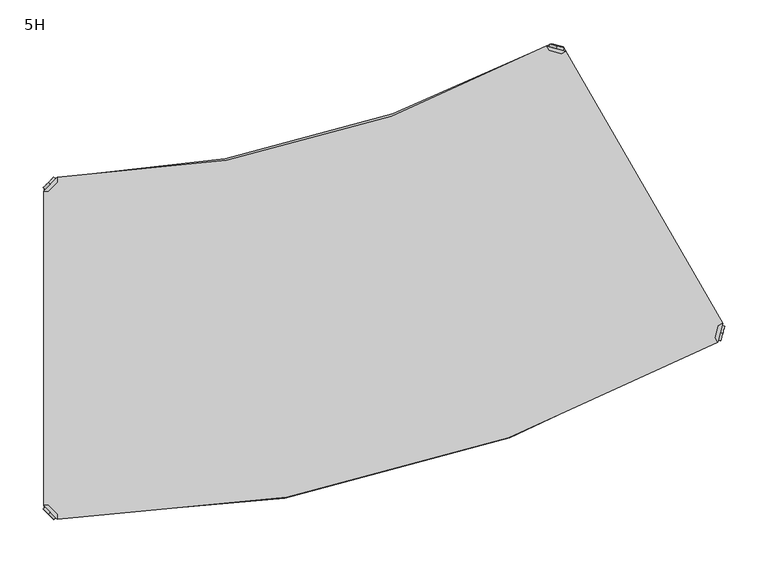
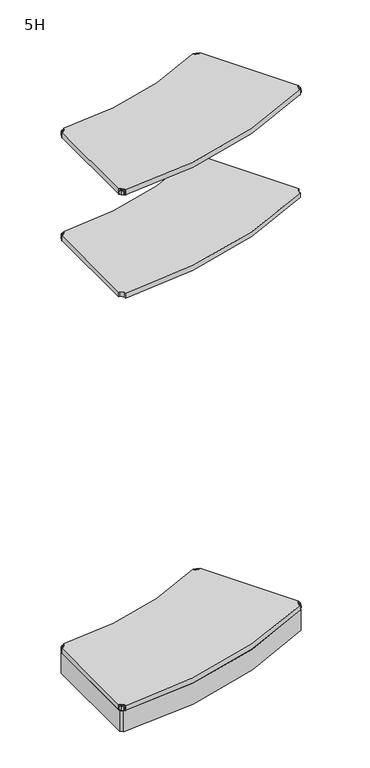
"""IFC4 building model written with IfcOpenShell, lengths in millimetres: furniture geometry, 5H."""

from ifc_helpers import new_model, si_unit, point, frame, frame_2d, origin, place, context, project, spatial, polyline, circle_curve, trimmed, segment, composite_curve, outline, extrude, source, transform, mapped, element, save
from ifc_brep_helpers import plane_surface, cylinder_surface, advanced_brep


def furniture_5h_ca7e14d5(model_context):
    return source(origin(), model_context, "Body", "SolidModel", [
        advanced_brep(
        [(10.9601551, 389.0398449, 1698.5), (10.9601551, 389.0398449, 1715.5), (10.9601551, 389.0398449, 1707.0), (8.8388348, 391.1611652, 1698.5), (8.8388348, 391.1611652, 1715.5), (8.8388348, 391.1611652, 1707.0)],
        [
            (0, 1, circle_curve(frame((10.9601551, 389.0398449, 1707.0), z_axis=(0.7071067811865509, -0.7071067811865441, 0.0), x_axis=(0.0, 0.0, 1.0)), 8.5)),
            (1, 2),
            (2, 0),
            (1, 0, circle_curve(frame((10.9601551, 389.0398449, 1707.0), z_axis=(0.7071067811865509, -0.7071067811865441, 0.0), x_axis=(0.0, 0.0, 1.0)), 8.5)),
            (3, 4, circle_curve(frame((8.8388348, 391.1611652, 1707.0), z_axis=(0.7071067811865509, -0.7071067811865441, 0.0), x_axis=(0.0, 0.0, 1.0)), 8.5)),
            (4, 1),
            (0, 3),
            (4, 3, circle_curve(frame((8.8388348, 391.1611652, 1707.0), z_axis=(0.7071067811865509, -0.7071067811865441, 0.0), x_axis=(0.0, 0.0, 1.0)), 8.5)),
            (5, 4),
            (3, 5),
        ],
        [
            plane_surface(frame((10.9601551, 389.0398449, 1707.0), z_axis=(0.7071067811865506, -0.7071067811865446, 0.0), x_axis=(0.0, 0.0, 1.0))),
            cylinder_surface(frame((8.8388348, 391.1611652, 1707.0), z_axis=(-0.7071067811865509, 0.7071067811865441, 0.0), x_axis=(0.0, 0.0, 1.0)), 8.5),
            plane_surface(frame((8.8388348, 391.1611652, 1707.0), z_axis=(-0.7071067811865506, 0.7071067811865446, 0.0), x_axis=(0.0, 0.0, 1.0))),
        ],
        [
            (0, [[1, 2, 3]]),
            (0, [[4, -3, -2]]),
            (1, [[5, 6, -1, 7]]),
            (1, [[8, -7, -4, -6]]),
            (2, [[9, -5, 10]]),
            (2, [[-10, -8, -9]]),
        ],
    ),
        advanced_brep(
        [(18.9203102, 397.0, 1717.0), (3.0, 381.0796898, 1717.0), (8.6568542, 381.0796898, 1717.0), (18.9203102, 391.3431458, 1717.0), (18.9203102, 397.0, 1698.0), (18.9203102, 397.0, 1697.0), (3.0, 381.0796898, 1697.0), (3.0, 381.0796898, 1698.0), (8.6568542, 381.0796898, 1698.0), (18.9203102, 391.3431458, 1698.0), (31.8093975, 352.2702923, 1698.0), (47.7297077, 368.1906025, 1698.0), (47.7297077, 368.1906025, 1697.0), (31.8093975, 352.2702923, 1697.0)],
        [
            (0, 1),
            (1, 2),
            (2, 3),
            (3, 0),
            (0, 4),
            (4, 5),
            (5, 6),
            (6, 7),
            (7, 1),
            (2, 8),
            (8, 9),
            (9, 3),
            (9, 4),
            (7, 8),
            (7, 10),
            (10, 11, circle_curve(frame((39.7695526, 360.2304474, 1698.0), z_axis=(0.0, 0.0, 1.0), x_axis=(1.0, 0.0, 0.0)), 11.2573593)),
            (11, 4),
            (5, 12),
            (12, 13, circle_curve(frame((39.7695526, 360.2304474, 1697.0), z_axis=(0.0, 0.0, -1.0), x_axis=(1.0, 0.0, 0.0)), 11.2573593)),
            (13, 6),
            (13, 10),
            (12, 11),
        ],
        [
            plane_surface(frame((-38.8756299, 339.2040599, 1717.0), z_axis=(0.0, 0.0, 1.0000000000000002), x_axis=(-0.7071067811865511, -0.707106781186544, 0.0))),
            plane_surface(frame((18.9203102, 397.0, 1717.0), z_axis=(-0.707106781186544, 0.7071067811865511, 0.0), x_axis=(0.0, 0.0, -1.0))),
            plane_surface(frame((8.6568542, 381.0796898, 1717.0), z_axis=(0.7071067811865527, -0.7071067811865424, 0.0), x_axis=(0.0, 0.0, -1.0))),
            plane_surface(frame((18.9203102, 391.3431458, 1717.0), z_axis=(1.0, 0.0, 0.0), x_axis=(0.0, 0.0, -1.0))),
            plane_surface(frame((3.0, 381.0796898, 1717.0), z_axis=(0.0, -1.0, 0.0), x_axis=(0.0, 0.0, -1.0))),
            plane_surface(frame((3.0, 381.0796898, 1698.0), z_axis=(0.0, 0.0, 1.0), x_axis=(-0.7071067811865439, -0.7071067811865511, 0.0))),
            plane_surface(frame((3.0, 381.0796898, 1697.0), z_axis=(0.0, 0.0, -1.0), x_axis=(0.7071067811865439, 0.7071067811865511, 0.0))),
            plane_surface(frame((3.0, 381.0796898, 1698.0), z_axis=(-0.7071067811865446, -0.7071067811865506, 0.0), x_axis=(0.0, 0.0, -1.0))),
            cylinder_surface(frame((39.7695526, 360.2304474, 1697.0), z_axis=(0.0, 0.0, 1.0), x_axis=(1.0, 0.0, 0.0)), 11.2573593),
            plane_surface(frame((47.7297077, 368.1906025, 1698.0), z_axis=(0.7071067811865435, 0.7071067811865517, 0.0), x_axis=(0.0, 0.0, -1.0))),
        ],
        [
            (0, [[1, 2, 3, 4]]),
            (1, [[-1, 5, 6, 7, 8, 9]]),
            (2, [[-3, 10, 11, 12]]),
            (3, [[-4, -12, 13, -5]]),
            (4, [[-2, -9, 14, -10]]),
            (5, [[15, 16, 17, -13, -11, -14]]),
            (6, [[18, 19, 20, -7]]),
            (7, [[-15, -8, -20, 21]]),
            (8, [[-16, -21, -19, 22]]),
            (9, [[-17, -22, -18, -6]]),
        ],
    ),
        extrude(outline(composite_curve([segment(polyline([(3.0, 381.0796898), (8.6568542, 381.0796898), (18.9203102, 391.3431458), (18.9203102, 397.1493369)]), True, "CONTINUOUS"), segment(trimmed(circle_curve(frame_2d((0.0, 1595.6333221)), 1198.6333221), [point((18.9203102, 397.1493369))], [point((582.8586275, 548.2567608))], True, "CARTESIAN"), True, "CONTINUOUS"), segment(polyline([(582.8586275, 548.2567608), (585.6991478, 543.3368352), (599.7022885, 539.584705), (604.609961, 542.418151), (785.7022582, 228.7570914), (780.8066612, 225.9306171), (777.0494272, 211.9084292), (779.8770965, 207.0107625)]), True, "CONTINUOUS"), segment(trimmed(circle_curve(frame_2d((0.0, 1595.6333221)), 1592.6333221), [point((779.8770965, 207.0107625))], [point((18.9203102, 3.1123896))], False, "CARTESIAN"), True, "CONTINUOUS"), segment(polyline([(18.9203102, 3.1123896), (18.9203102, 8.6568542), (8.6568542, 18.9203102), (3.0, 18.9203102), (3.0, 381.0796898)]), True, "CONTINUOUS")], self_intersect=False)), frame((0.0, 0.0, 1698.0), z_axis=(0.0, 0.0, 1.0), x_axis=(1.0, 0.0, 0.0)), (0.0, 0.0, 1.0), 19.0),
        advanced_brep(
        [(10.9601551, 10.9601551, 2098.5), (10.9601551, 10.9601551, 2107.0), (10.9601551, 10.9601551, 2115.5), (8.8388348, 8.8388348, 2098.5), (8.8388348, 8.8388348, 2115.5), (8.8388348, 8.8388348, 2107.0)],
        [
            (0, 1),
            (1, 2),
            (2, 0, circle_curve(frame((10.9601551, 10.9601551, 2107.0), z_axis=(0.7071067811865465, 0.7071067811865486, 0.0), x_axis=(0.0, 0.0, 1.0)), 8.5)),
            (0, 2, circle_curve(frame((10.9601551, 10.9601551, 2107.0), z_axis=(0.7071067811865465, 0.7071067811865486, 0.0), x_axis=(0.0, 0.0, 1.0)), 8.5)),
            (3, 0),
            (2, 4),
            (4, 3, circle_curve(frame((8.8388348, 8.8388348, 2107.0), z_axis=(0.7071067811865465, 0.7071067811865486, 0.0), x_axis=(0.0, 0.0, 1.0)), 8.5)),
            (3, 4, circle_curve(frame((8.8388348, 8.8388348, 2107.0), z_axis=(0.7071067811865465, 0.7071067811865486, 0.0), x_axis=(0.0, 0.0, 1.0)), 8.5)),
            (5, 3),
            (4, 5),
        ],
        [
            plane_surface(frame((10.9601551, 10.9601551, 2107.0), z_axis=(0.7071067811865461, 0.707106781186549, 0.0), x_axis=(0.0, 0.0, 1.0))),
            cylinder_surface(frame((8.8388348, 8.8388348, 2107.0), z_axis=(-0.7071067811865465, -0.7071067811865486, 0.0), x_axis=(0.0, 0.0, 1.0)), 8.5),
            plane_surface(frame((8.8388348, 8.8388348, 2107.0), z_axis=(-0.7071067811865461, -0.707106781186549, 0.0), x_axis=(0.0, 0.0, 1.0))),
        ],
        [
            (0, [[1, 2, 3]]),
            (0, [[-2, -1, 4]]),
            (1, [[5, -3, 6, 7]]),
            (1, [[-6, -4, -5, 8]]),
            (2, [[9, -7, 10]]),
            (2, [[-10, -8, -9]]),
        ],
    ),
        advanced_brep(
        [(18.9203102, 3.0, 2117.0), (18.9203102, 8.6568542, 2117.0), (8.6568542, 18.9203102, 2117.0), (3.0, 18.9203102, 2117.0), (3.0, 18.9203102, 2098.0), (3.0, 18.9203102, 2097.0), (18.9203102, 3.0, 2097.0), (18.9203102, 3.0, 2098.0), (18.9203102, 8.6568542, 2098.0), (8.6568542, 18.9203102, 2098.0), (47.7297077, 31.8093975, 2098.0), (31.8093975, 47.7297077, 2098.0), (31.8093975, 47.7297077, 2097.0), (47.7297077, 31.8093975, 2097.0)],
        [
            (0, 1),
            (1, 2),
            (2, 3),
            (3, 0),
            (3, 4),
            (4, 5),
            (5, 6),
            (6, 7),
            (7, 0),
            (1, 8),
            (8, 9),
            (9, 2),
            (7, 8),
            (9, 4),
            (7, 10),
            (10, 11, circle_curve(frame((39.7695526, 39.7695526, 2098.0), z_axis=(0.0, 0.0, 1.0), x_axis=(1.0, 0.0, 0.0)), 11.2573593)),
            (11, 4),
            (5, 12),
            (12, 13, circle_curve(frame((39.7695526, 39.7695526, 2097.0), z_axis=(0.0, 0.0, -1.0), x_axis=(1.0, 0.0, 0.0)), 11.2573593)),
            (13, 6),
            (11, 12),
            (10, 13),
        ],
        [
            plane_surface(frame((-38.8756299, 60.7959401, 2117.0), z_axis=(0.0, 0.0, 1.0), x_axis=(-0.7071067811865556, 0.7071067811865396, 0.0))),
            plane_surface(frame((18.9203102, 3.0, 2117.0), z_axis=(-0.7071067811865396, -0.7071067811865556, 0.0), x_axis=(0.0, 0.0, -1.0))),
            plane_surface(frame((8.6568542, 18.9203102, 2117.0), z_axis=(0.7071067811865482, 0.7071067811865468, 0.0), x_axis=(0.0, 0.0, -1.0))),
            plane_surface(frame((18.9203102, 8.6568542, 2117.0), z_axis=(1.0, 0.0, 0.0), x_axis=(0.0, 0.0, -1.0))),
            plane_surface(frame((3.0, 18.9203102, 2117.0), z_axis=(0.0, 1.0, 0.0), x_axis=(0.0, 0.0, -1.0))),
            plane_surface(frame((3.0, 18.9203102, 2098.0), z_axis=(0.0, 0.0, 1.0), x_axis=(-0.7071067811865483, 0.7071067811865467, 0.0))),
            plane_surface(frame((3.0, 18.9203102, 2097.0), z_axis=(0.0, 0.0, -1.0), x_axis=(0.7071067811865483, -0.7071067811865467, 0.0))),
            plane_surface(frame((3.0, 18.9203102, 2098.0), z_axis=(-0.707106781186549, 0.7071067811865461, 0.0), x_axis=(0.0, 0.0, -1.0))),
            cylinder_surface(frame((39.7695526, 39.7695526, 2097.0), z_axis=(0.0, 0.0, 1.0), x_axis=(1.0, 0.0, 0.0)), 11.2573593),
            plane_surface(frame((47.7297077, 31.8093975, 2098.0), z_axis=(0.7071067811865479, -0.7071067811865472, 0.0), x_axis=(0.0, 0.0, -1.0))),
        ],
        [
            (0, [[1, 2, 3, 4]]),
            (1, [[5, 6, 7, 8, 9, -4]]),
            (2, [[10, 11, 12, -2]]),
            (3, [[-9, 13, -10, -1]]),
            (4, [[-12, 14, -5, -3]]),
            (5, [[-14, -11, -13, 15, 16, 17]]),
            (6, [[-7, 18, 19, 20]]),
            (7, [[21, -18, -6, -17]]),
            (8, [[22, -19, -21, -16]]),
            (9, [[-8, -20, -22, -15]]),
        ],
    ),
        advanced_brep(
        [(782.7920217, 217.8852702, 2098.5), (782.7920217, 217.8852702, 2115.5), (782.7920217, 217.8852702, 2107.0), (785.6897991, 217.108813, 2098.5), (785.6897991, 217.108813, 2115.5), (785.6897991, 217.108813, 2107.0)],
        [
            (0, 1, circle_curve(frame((782.7920217, 217.8852702, 2107.0), z_axis=(-0.9659258262890685, 0.25881904510252, 0.0), x_axis=(0.0, 0.0, 1.0)), 8.5)),
            (1, 2),
            (2, 0),
            (1, 0, circle_curve(frame((782.7920217, 217.8852702, 2107.0), z_axis=(-0.9659258262890685, 0.25881904510252, 0.0), x_axis=(0.0, 0.0, 1.0)), 8.5)),
            (3, 4, circle_curve(frame((785.6897991, 217.108813, 2107.0), z_axis=(-0.9659258262890685, 0.25881904510252, 0.0), x_axis=(0.0, 0.0, 1.0)), 8.5)),
            (4, 1),
            (0, 3),
            (4, 3, circle_curve(frame((785.6897991, 217.108813, 2107.0), z_axis=(-0.9659258262890685, 0.25881904510252, 0.0), x_axis=(0.0, 0.0, 1.0)), 8.5)),
            (5, 4),
            (3, 5),
        ],
        [
            plane_surface(frame((782.7920217, 217.8852702, 2107.0), z_axis=(-0.9659258262890684, 0.25881904510252063, 0.0), x_axis=(0.0, 0.0, 1.0))),
            cylinder_surface(frame((785.6897991, 217.108813, 2107.0), z_axis=(0.9659258262890685, -0.25881904510252, 0.0), x_axis=(0.0, 0.0, 1.0)), 8.5),
            plane_surface(frame((785.6897991, 217.108813, 2107.0), z_axis=(0.9659258262890684, -0.25881904510252063, 0.0), x_axis=(0.0, 0.0, 1.0))),
        ],
        [
            (0, [[1, 2, 3]]),
            (0, [[4, -3, -2]]),
            (1, [[5, 6, -1, 7]]),
            (1, [[8, -7, -4, -6]]),
            (2, [[9, -5, 10]]),
            (2, [[-10, -8, -9]]),
        ],
    ),
        advanced_brep(
        [(779.8784027, 207.0114961, 2117.0), (785.7056407, 228.7590443, 2117.0), (780.8066612, 225.9306171, 2117.0), (777.0499756, 211.9104756, 2117.0), (779.8784027, 207.0114961, 2098.0), (779.8784027, 207.0114961, 2097.0), (785.7056407, 228.7590443, 2097.0), (785.7056407, 228.7590443, 2098.0), (780.8066612, 225.9306171, 2098.0), (777.0499756, 211.9104756, 2098.0), (746.3512718, 239.3040156, 2098.0), (740.5240338, 217.5564674, 2098.0), (740.5240338, 217.5564674, 2097.0), (746.3512718, 239.3040156, 2097.0)],
        [
            (0, 1),
            (1, 2),
            (2, 3),
            (3, 0),
            (0, 4),
            (4, 5),
            (5, 6),
            (6, 7),
            (7, 1),
            (2, 8),
            (8, 9),
            (9, 3),
            (9, 4),
            (7, 8),
            (7, 10),
            (10, 11, circle_curve(frame((743.4376528, 228.4302415, 2098.0), z_axis=(0.0, 0.0, 1.0), x_axis=(-0.8660254037844375, -0.5000000000000021, 0.0)), 11.2573593)),
            (11, 4),
            (5, 12),
            (12, 13, circle_curve(frame((743.4376528, 228.4302415, 2097.0), z_axis=(0.0, 0.0, -1.0), x_axis=(-0.8660254037844375, -0.5000000000000021, 0.0)), 11.2573593)),
            (13, 6),
            (13, 10),
            (12, 11),
        ],
        [
            plane_surface(frame((801.033185, 285.9622185, 2117.0), z_axis=(0.0, 0.0, 1.0), x_axis=(0.25881904510252957, 0.965925826289066, 0.0))),
            plane_surface(frame((779.8784027, 207.0114961, 2117.0), z_axis=(0.965925826289066, -0.25881904510252957, 0.0), x_axis=(0.0, 0.0, -1.0))),
            plane_surface(frame((780.8066612, 225.9306171, 2117.0), z_axis=(-0.9659258262890692, 0.2588190451025176, 0.0), x_axis=(0.0, 0.0, -1.0))),
            plane_surface(frame((777.0499756, 211.9104756, 2117.0), z_axis=(-0.866025403784462, -0.4999999999999597, 0.0), x_axis=(0.0, 0.0, -1.0))),
            plane_surface(frame((785.7056407, 228.7590443, 2117.0), z_axis=(-0.4999999999999963, 0.8660254037844408, 0.0), x_axis=(0.0, 0.0, -1.0))),
            plane_surface(frame((785.7056407, 228.7590443, 2098.0), z_axis=(0.0, 0.0, 1.0), x_axis=(0.2588190451025197, 0.9659258262890686, 0.0))),
            plane_surface(frame((785.7056407, 228.7590443, 2097.0), z_axis=(0.0, 0.0, -1.0), x_axis=(-0.2588190451025197, -0.9659258262890686, 0.0))),
            plane_surface(frame((785.7056407, 228.7590443, 2098.0), z_axis=(0.25881904510252063, 0.9659258262890684, 0.0), x_axis=(0.0, 0.0, -1.0))),
            cylinder_surface(frame((743.4376528, 228.4302415, 2097.0), z_axis=(0.0, 0.0, 1.0), x_axis=(-0.8660254037844375, -0.5000000000000021, 0.0)), 11.2573593),
            plane_surface(frame((740.5240338, 217.5564674, 2098.0), z_axis=(-0.2588190451025191, -0.9659258262890689, 0.0), x_axis=(0.0, 0.0, -1.0))),
        ],
        [
            (0, [[1, 2, 3, 4]]),
            (1, [[-1, 5, 6, 7, 8, 9]]),
            (2, [[-3, 10, 11, 12]]),
            (3, [[-4, -12, 13, -5]]),
            (4, [[-2, -9, 14, -10]]),
            (5, [[15, 16, 17, -13, -11, -14]]),
            (6, [[18, 19, 20, -7]]),
            (7, [[-15, -8, -20, 21]]),
            (8, [[-16, -21, -19, 22]]),
            (9, [[-17, -22, -18, -6]]),
        ],
    ),
        advanced_brep(
        [(593.7274939, 545.3267511, 2098.5), (593.7274939, 545.3267511, 2107.0), (593.7274939, 545.3267511, 2115.5), (594.503951, 548.2245285, 2098.5), (594.503951, 548.2245285, 2115.5), (594.503951, 548.2245285, 2107.0)],
        [
            (0, 1),
            (1, 2),
            (2, 0, circle_curve(frame((593.7274939, 545.3267511, 2107.0), z_axis=(-0.25881904510252524, -0.9659258262890672, 0.0), x_axis=(0.0, 0.0, 1.0)), 8.5)),
            (0, 2, circle_curve(frame((593.7274939, 545.3267511, 2107.0), z_axis=(-0.25881904510252524, -0.9659258262890672, 0.0), x_axis=(0.0, 0.0, 1.0)), 8.5)),
            (3, 0),
            (2, 4),
            (4, 3, circle_curve(frame((594.503951, 548.2245285, 2107.0), z_axis=(-0.25881904510252524, -0.9659258262890672, 0.0), x_axis=(0.0, 0.0, 1.0)), 8.5)),
            (3, 4, circle_curve(frame((594.503951, 548.2245285, 2107.0), z_axis=(-0.25881904510252524, -0.9659258262890672, 0.0), x_axis=(0.0, 0.0, 1.0)), 8.5)),
            (5, 3),
            (4, 5),
        ],
        [
            plane_surface(frame((593.7274939, 545.3267511, 2107.0), z_axis=(-0.2588190451025247, -0.9659258262890673, 0.0), x_axis=(0.0, 0.0, 1.0))),
            cylinder_surface(frame((594.503951, 548.2245285, 2107.0), z_axis=(0.25881904510252524, 0.9659258262890672, 0.0), x_axis=(0.0, 0.0, 1.0)), 8.5),
            plane_surface(frame((594.503951, 548.2245285, 2107.0), z_axis=(0.2588190451025247, 0.9659258262890673, 0.0), x_axis=(0.0, 0.0, 1.0))),
        ],
        [
            (0, [[1, 2, 3]]),
            (0, [[-2, -1, 4]]),
            (1, [[5, -3, 6, 7]]),
            (1, [[-6, -4, -5, 8]]),
            (2, [[9, -7, 10]]),
            (2, [[-10, -8, -9]]),
        ],
    ),
        advanced_brep(
        [(582.8537198, 548.2403701, 2117.0), (585.6821469, 543.3413906, 2117.0), (599.7022885, 539.584705, 2117.0), (604.601268, 542.4131321, 2117.0), (604.601268, 542.4131321, 2098.0), (604.601268, 542.4131321, 2097.0), (582.8537198, 548.2403701, 2097.0), (582.8537198, 548.2403701, 2098.0), (585.6821469, 543.3413906, 2098.0), (599.7022885, 539.584705, 2098.0), (572.3087484, 508.8860012, 2098.0), (594.0562966, 503.0587632, 2098.0), (594.0562966, 503.0587632, 2097.0), (572.3087484, 508.8860012, 2097.0)],
        [
            (0, 1),
            (1, 2),
            (2, 3),
            (3, 0),
            (3, 4),
            (4, 5),
            (5, 6),
            (6, 7),
            (7, 0),
            (1, 8),
            (8, 9),
            (9, 2),
            (7, 8),
            (9, 4),
            (7, 10),
            (10, 11, circle_curve(frame((583.1825225, 505.9723822, 2098.0), z_axis=(0.0, 0.0, 1.0), x_axis=(-0.8660254037844418, -0.49999999999999467, 0.0)), 11.2573593)),
            (11, 4),
            (5, 12),
            (12, 13, circle_curve(frame((583.1825225, 505.9723822, 2097.0), z_axis=(0.0, 0.0, -1.0), x_axis=(-0.8660254037844418, -0.49999999999999467, 0.0)), 11.2573593)),
            (13, 6),
            (11, 12),
            (10, 13),
        ],
        [
            plane_surface(frame((661.8044422, 527.0855877, 2117.0), z_axis=(0.0, 0.0, 1.0000000000000002), x_axis=(0.9659258262890698, -0.25881904510251574, 0.0))),
            plane_surface(frame((582.8537198, 548.2403701, 2117.0), z_axis=(0.25881904510251574, 0.9659258262890698, 0.0), x_axis=(0.0, 0.0, -1.0))),
            plane_surface(frame((599.7022885, 539.584705, 2117.0), z_axis=(-0.25881904510252757, -0.9659258262890665, 0.0), x_axis=(0.0, 0.0, -1.0))),
            plane_surface(frame((585.6821469, 543.3413906, 2117.0), z_axis=(-0.8660254037844173, -0.5000000000000371, 0.0), x_axis=(0.0, 0.0, -1.0))),
            plane_surface(frame((604.601268, 542.4131321, 2117.0), z_axis=(0.5000000000000004, -0.8660254037844385, 0.0), x_axis=(0.0, 0.0, -1.0))),
            plane_surface(frame((604.601268, 542.4131321, 2098.0), z_axis=(0.0, 0.0, 1.0), x_axis=(0.9659258262890671, -0.25881904510252546, 0.0))),
            plane_surface(frame((604.601268, 542.4131321, 2097.0), z_axis=(0.0, 0.0, -1.0), x_axis=(-0.9659258262890671, 0.25881904510252546, 0.0))),
            plane_surface(frame((604.601268, 542.4131321, 2098.0), z_axis=(0.9659258262890673, -0.2588190451025247, 0.0), x_axis=(0.0, 0.0, -1.0))),
            cylinder_surface(frame((583.1825225, 505.9723822, 2097.0), z_axis=(0.0, 0.0, 1.0), x_axis=(-0.8660254037844418, -0.49999999999999467, 0.0)), 11.2573593),
            plane_surface(frame((572.3087484, 508.8860012, 2098.0), z_axis=(-0.9659258262890669, 0.2588190451025262, 0.0), x_axis=(0.0, 0.0, -1.0))),
        ],
        [
            (0, [[1, 2, 3, 4]]),
            (1, [[5, 6, 7, 8, 9, -4]]),
            (2, [[10, 11, 12, -2]]),
            (3, [[-9, 13, -10, -1]]),
            (4, [[-12, 14, -5, -3]]),
            (5, [[-14, -11, -13, 15, 16, 17]]),
            (6, [[-7, 18, 19, 20]]),
            (7, [[21, -18, -6, -17]]),
            (8, [[22, -19, -21, -16]]),
            (9, [[-8, -20, -22, -15]]),
        ],
    ),
        advanced_brep(
        [(10.9601551, 389.0398449, 2098.5), (10.9601551, 389.0398449, 2115.5), (10.9601551, 389.0398449, 2107.0), (8.8388348, 391.1611652, 2098.5), (8.8388348, 391.1611652, 2115.5), (8.8388348, 391.1611652, 2107.0)],
        [
            (0, 1, circle_curve(frame((10.9601551, 389.0398449, 2107.0), z_axis=(0.7071067811865509, -0.7071067811865441, 0.0), x_axis=(0.0, 0.0, 1.0)), 8.5)),
            (1, 2),
            (2, 0),
            (1, 0, circle_curve(frame((10.9601551, 389.0398449, 2107.0), z_axis=(0.7071067811865509, -0.7071067811865441, 0.0), x_axis=(0.0, 0.0, 1.0)), 8.5)),
            (3, 4, circle_curve(frame((8.8388348, 391.1611652, 2107.0), z_axis=(0.7071067811865509, -0.7071067811865441, 0.0), x_axis=(0.0, 0.0, 1.0)), 8.5)),
            (4, 1),
            (0, 3),
            (4, 3, circle_curve(frame((8.8388348, 391.1611652, 2107.0), z_axis=(0.7071067811865509, -0.7071067811865441, 0.0), x_axis=(0.0, 0.0, 1.0)), 8.5)),
            (5, 4),
            (3, 5),
        ],
        [
            plane_surface(frame((10.9601551, 389.0398449, 2107.0), z_axis=(0.7071067811865506, -0.7071067811865446, 0.0), x_axis=(0.0, 0.0, 1.0))),
            cylinder_surface(frame((8.8388348, 391.1611652, 2107.0), z_axis=(-0.7071067811865509, 0.7071067811865441, 0.0), x_axis=(0.0, 0.0, 1.0)), 8.5),
            plane_surface(frame((8.8388348, 391.1611652, 2107.0), z_axis=(-0.7071067811865506, 0.7071067811865446, 0.0), x_axis=(0.0, 0.0, 1.0))),
        ],
        [
            (0, [[1, 2, 3]]),
            (0, [[4, -3, -2]]),
            (1, [[5, 6, -1, 7]]),
            (1, [[8, -7, -4, -6]]),
            (2, [[9, -5, 10]]),
            (2, [[-10, -8, -9]]),
        ],
    ),
        advanced_brep(
        [(18.9203102, 397.0, 2117.0), (3.0, 381.0796898, 2117.0), (8.6568542, 381.0796898, 2117.0), (18.9203102, 391.3431458, 2117.0), (18.9203102, 397.0, 2098.0), (18.9203102, 397.0, 2097.0), (3.0, 381.0796898, 2097.0), (3.0, 381.0796898, 2098.0), (8.6568542, 381.0796898, 2098.0), (18.9203102, 391.3431458, 2098.0), (31.8093975, 352.2702923, 2098.0), (47.7297077, 368.1906025, 2098.0), (47.7297077, 368.1906025, 2097.0), (31.8093975, 352.2702923, 2097.0)],
        [
            (0, 1),
            (1, 2),
            (2, 3),
            (3, 0),
            (0, 4),
            (4, 5),
            (5, 6),
            (6, 7),
            (7, 1),
            (2, 8),
            (8, 9),
            (9, 3),
            (9, 4),
            (7, 8),
            (7, 10),
            (10, 11, circle_curve(frame((39.7695526, 360.2304474, 2098.0), z_axis=(0.0, 0.0, 1.0), x_axis=(1.0, 0.0, 0.0)), 11.2573593)),
            (11, 4),
            (5, 12),
            (12, 13, circle_curve(frame((39.7695526, 360.2304474, 2097.0), z_axis=(0.0, 0.0, -1.0), x_axis=(1.0, 0.0, 0.0)), 11.2573593)),
            (13, 6),
            (13, 10),
            (12, 11),
        ],
        [
            plane_surface(frame((-38.8756299, 339.2040599, 2117.0), z_axis=(0.0, 0.0, 1.0000000000000002), x_axis=(-0.7071067811865511, -0.707106781186544, 0.0))),
            plane_surface(frame((18.9203102, 397.0, 2117.0), z_axis=(-0.707106781186544, 0.7071067811865511, 0.0), x_axis=(0.0, 0.0, -1.0))),
            plane_surface(frame((8.6568542, 381.0796898, 2117.0), z_axis=(0.7071067811865527, -0.7071067811865424, 0.0), x_axis=(0.0, 0.0, -1.0))),
            plane_surface(frame((18.9203102, 391.3431458, 2117.0), z_axis=(1.0, 0.0, 0.0), x_axis=(0.0, 0.0, -1.0))),
            plane_surface(frame((3.0, 381.0796898, 2117.0), z_axis=(0.0, -1.0, 0.0), x_axis=(0.0, 0.0, -1.0))),
            plane_surface(frame((3.0, 381.0796898, 2098.0), z_axis=(0.0, 0.0, 1.0), x_axis=(-0.7071067811865439, -0.7071067811865511, 0.0))),
            plane_surface(frame((3.0, 381.0796898, 2097.0), z_axis=(0.0, 0.0, -1.0), x_axis=(0.7071067811865439, 0.7071067811865511, 0.0))),
            plane_surface(frame((3.0, 381.0796898, 2098.0), z_axis=(-0.7071067811865446, -0.7071067811865506, 0.0), x_axis=(0.0, 0.0, -1.0))),
            cylinder_surface(frame((39.7695526, 360.2304474, 2097.0), z_axis=(0.0, 0.0, 1.0), x_axis=(1.0, 0.0, 0.0)), 11.2573593),
            plane_surface(frame((47.7297077, 368.1906025, 2098.0), z_axis=(0.7071067811865435, 0.7071067811865517, 0.0), x_axis=(0.0, 0.0, -1.0))),
        ],
        [
            (0, [[1, 2, 3, 4]]),
            (1, [[-1, 5, 6, 7, 8, 9]]),
            (2, [[-3, 10, 11, 12]]),
            (3, [[-4, -12, 13, -5]]),
            (4, [[-2, -9, 14, -10]]),
            (5, [[15, 16, 17, -13, -11, -14]]),
            (6, [[18, 19, 20, -7]]),
            (7, [[-15, -8, -20, 21]]),
            (8, [[-16, -21, -19, 22]]),
            (9, [[-17, -22, -18, -6]]),
        ],
    ),
        extrude(outline(composite_curve([segment(polyline([(3.0, 381.0796898), (8.6568542, 381.0796898), (18.9203102, 391.3431458), (18.9203102, 397.1493369)]), True, "CONTINUOUS"), segment(trimmed(circle_curve(frame_2d((0.0, 1595.6333221)), 1198.6333221), [point((18.9203102, 397.1493369))], [point((582.8586275, 548.2567608))], True, "CARTESIAN"), True, "CONTINUOUS"), segment(polyline([(582.8586275, 548.2567608), (585.6991478, 543.3368352), (599.7022885, 539.584705), (604.609961, 542.418151), (785.7022582, 228.7570914), (780.8066612, 225.9306171), (777.0494272, 211.9084292), (779.8770965, 207.0107625)]), True, "CONTINUOUS"), segment(trimmed(circle_curve(frame_2d((0.0, 1595.6333221)), 1592.6333221), [point((779.8770965, 207.0107625))], [point((18.9203102, 3.1123896))], False, "CARTESIAN"), True, "CONTINUOUS"), segment(polyline([(18.9203102, 3.1123896), (18.9203102, 8.6568542), (8.6568542, 18.9203102), (3.0, 18.9203102), (3.0, 381.0796898)]), True, "CONTINUOUS")], self_intersect=False)), frame((0.0, 0.0, 2098.0), z_axis=(0.0, 0.0, 1.0), x_axis=(1.0, 0.0, 0.0)), (0.0, 0.0, 1.0), 19.0),
        advanced_brep(
        [(10.9601551, 10.9601551, 98.5), (10.9601551, 10.9601551, 107.0), (10.9601551, 10.9601551, 115.5), (8.8388348, 8.8388348, 98.5), (8.8388348, 8.8388348, 115.5), (8.8388348, 8.8388348, 107.0)],
        [
            (0, 1),
            (1, 2),
            (2, 0, circle_curve(frame((10.9601551, 10.9601551, 107.0), z_axis=(0.7071067811865465, 0.7071067811865486, 0.0), x_axis=(0.0, 0.0, 1.0)), 8.5)),
            (0, 2, circle_curve(frame((10.9601551, 10.9601551, 107.0), z_axis=(0.7071067811865465, 0.7071067811865486, 0.0), x_axis=(0.0, 0.0, 1.0)), 8.5)),
            (3, 0),
            (2, 4),
            (4, 3, circle_curve(frame((8.8388348, 8.8388348, 107.0), z_axis=(0.7071067811865465, 0.7071067811865486, 0.0), x_axis=(0.0, 0.0, 1.0)), 8.5)),
            (3, 4, circle_curve(frame((8.8388348, 8.8388348, 107.0), z_axis=(0.7071067811865465, 0.7071067811865486, 0.0), x_axis=(0.0, 0.0, 1.0)), 8.5)),
            (5, 3),
            (4, 5),
        ],
        [
            plane_surface(frame((10.9601551, 10.9601551, 107.0), z_axis=(0.7071067811865461, 0.707106781186549, 0.0), x_axis=(0.0, 0.0, 1.0))),
            cylinder_surface(frame((8.8388348, 8.8388348, 107.0), z_axis=(-0.7071067811865465, -0.7071067811865486, 0.0), x_axis=(0.0, 0.0, 1.0)), 8.5),
            plane_surface(frame((8.8388348, 8.8388348, 107.0), z_axis=(-0.7071067811865461, -0.707106781186549, 0.0), x_axis=(0.0, 0.0, 1.0))),
        ],
        [
            (0, [[1, 2, 3]]),
            (0, [[-2, -1, 4]]),
            (1, [[5, -3, 6, 7]]),
            (1, [[-6, -4, -5, 8]]),
            (2, [[9, -7, 10]]),
            (2, [[-10, -8, -9]]),
        ],
    ),
        advanced_brep(
        [(18.9203102, 3.0, 117.0), (18.9203102, 8.6568542, 117.0), (8.6568542, 18.9203102, 117.0), (3.0, 18.9203102, 117.0), (3.0, 18.9203102, 98.0), (3.0, 18.9203102, 97.0), (18.9203102, 3.0, 97.0), (18.9203102, 3.0, 98.0), (18.9203102, 8.6568542, 98.0), (8.6568542, 18.9203102, 98.0), (47.7297077, 31.8093975, 98.0), (31.8093975, 47.7297077, 98.0), (31.8093975, 47.7297077, 97.0), (47.7297077, 31.8093975, 97.0)],
        [
            (0, 1),
            (1, 2),
            (2, 3),
            (3, 0),
            (3, 4),
            (4, 5),
            (5, 6),
            (6, 7),
            (7, 0),
            (1, 8),
            (8, 9),
            (9, 2),
            (7, 8),
            (9, 4),
            (7, 10),
            (10, 11, circle_curve(frame((39.7695526, 39.7695526, 98.0), z_axis=(0.0, 0.0, 1.0), x_axis=(1.0, 0.0, 0.0)), 11.2573593)),
            (11, 4),
            (5, 12),
            (12, 13, circle_curve(frame((39.7695526, 39.7695526, 97.0), z_axis=(0.0, 0.0, -1.0), x_axis=(1.0, 0.0, 0.0)), 11.2573593)),
            (13, 6),
            (11, 12),
            (10, 13),
        ],
        [
            plane_surface(frame((-38.8756299, 60.7959401, 117.0), z_axis=(0.0, 0.0, 1.0), x_axis=(-0.7071067811865556, 0.7071067811865396, 0.0))),
            plane_surface(frame((18.9203102, 3.0, 117.0), z_axis=(-0.7071067811865396, -0.7071067811865556, 0.0), x_axis=(0.0, 0.0, -1.0))),
            plane_surface(frame((8.6568542, 18.9203102, 117.0), z_axis=(0.7071067811865482, 0.7071067811865468, 0.0), x_axis=(0.0, 0.0, -1.0))),
            plane_surface(frame((18.9203102, 8.6568542, 117.0), z_axis=(1.0, 0.0, 0.0), x_axis=(0.0, 0.0, -1.0))),
            plane_surface(frame((3.0, 18.9203102, 117.0), z_axis=(0.0, 1.0, 0.0), x_axis=(0.0, 0.0, -1.0))),
            plane_surface(frame((3.0, 18.9203102, 98.0), z_axis=(0.0, 0.0, 1.0), x_axis=(-0.7071067811865483, 0.7071067811865467, 0.0))),
            plane_surface(frame((3.0, 18.9203102, 97.0), z_axis=(0.0, 0.0, -1.0), x_axis=(0.7071067811865483, -0.7071067811865467, 0.0))),
            plane_surface(frame((3.0, 18.9203102, 98.0), z_axis=(-0.707106781186549, 0.7071067811865461, 0.0), x_axis=(0.0, 0.0, -1.0))),
            cylinder_surface(frame((39.7695526, 39.7695526, 97.0), z_axis=(0.0, 0.0, 1.0), x_axis=(1.0, 0.0, 0.0)), 11.2573593),
            plane_surface(frame((47.7297077, 31.8093975, 98.0), z_axis=(0.7071067811865479, -0.7071067811865472, 0.0), x_axis=(0.0, 0.0, -1.0))),
        ],
        [
            (0, [[1, 2, 3, 4]]),
            (1, [[5, 6, 7, 8, 9, -4]]),
            (2, [[10, 11, 12, -2]]),
            (3, [[-9, 13, -10, -1]]),
            (4, [[-12, 14, -5, -3]]),
            (5, [[-14, -11, -13, 15, 16, 17]]),
            (6, [[-7, 18, 19, 20]]),
            (7, [[21, -18, -6, -17]]),
            (8, [[22, -19, -21, -16]]),
            (9, [[-8, -20, -22, -15]]),
        ],
    ),
        advanced_brep(
        [(782.7920217, 217.8852702, 98.5), (782.7920217, 217.8852702, 115.5), (782.7920217, 217.8852702, 107.0), (785.6897991, 217.108813, 98.5), (785.6897991, 217.108813, 115.5), (785.6897991, 217.108813, 107.0)],
        [
            (0, 1, circle_curve(frame((782.7920217, 217.8852702, 107.0), z_axis=(-0.9659258262890685, 0.25881904510252, 0.0), x_axis=(0.0, 0.0, 1.0)), 8.5)),
            (1, 2),
            (2, 0),
            (1, 0, circle_curve(frame((782.7920217, 217.8852702, 107.0), z_axis=(-0.9659258262890685, 0.25881904510252, 0.0), x_axis=(0.0, 0.0, 1.0)), 8.5)),
            (3, 4, circle_curve(frame((785.6897991, 217.108813, 107.0), z_axis=(-0.9659258262890685, 0.25881904510252, 0.0), x_axis=(0.0, 0.0, 1.0)), 8.5)),
            (4, 1),
            (0, 3),
            (4, 3, circle_curve(frame((785.6897991, 217.108813, 107.0), z_axis=(-0.9659258262890685, 0.25881904510252, 0.0), x_axis=(0.0, 0.0, 1.0)), 8.5)),
            (5, 4),
            (3, 5),
        ],
        [
            plane_surface(frame((782.7920217, 217.8852702, 107.0), z_axis=(-0.9659258262890684, 0.25881904510252063, 0.0), x_axis=(0.0, 0.0, 1.0))),
            cylinder_surface(frame((785.6897991, 217.108813, 107.0), z_axis=(0.9659258262890685, -0.25881904510252, 0.0), x_axis=(0.0, 0.0, 1.0)), 8.5),
            plane_surface(frame((785.6897991, 217.108813, 107.0), z_axis=(0.9659258262890684, -0.25881904510252063, 0.0), x_axis=(0.0, 0.0, 1.0))),
        ],
        [
            (0, [[1, 2, 3]]),
            (0, [[4, -3, -2]]),
            (1, [[5, 6, -1, 7]]),
            (1, [[8, -7, -4, -6]]),
            (2, [[9, -5, 10]]),
            (2, [[-10, -8, -9]]),
        ],
    ),
        advanced_brep(
        [(779.8784027, 207.0114961, 117.0), (785.7056407, 228.7590443, 117.0), (780.8066612, 225.9306171, 117.0), (777.0499756, 211.9104756, 117.0), (779.8784027, 207.0114961, 98.0), (779.8784027, 207.0114961, 97.0), (785.7056407, 228.7590443, 97.0), (785.7056407, 228.7590443, 98.0), (780.8066612, 225.9306171, 98.0), (777.0499756, 211.9104756, 98.0), (746.3512718, 239.3040156, 98.0), (740.5240338, 217.5564674, 98.0), (740.5240338, 217.5564674, 97.0), (746.3512718, 239.3040156, 97.0)],
        [
            (0, 1),
            (1, 2),
            (2, 3),
            (3, 0),
            (0, 4),
            (4, 5),
            (5, 6),
            (6, 7),
            (7, 1),
            (2, 8),
            (8, 9),
            (9, 3),
            (9, 4),
            (7, 8),
            (7, 10),
            (10, 11, circle_curve(frame((743.4376528, 228.4302415, 98.0), z_axis=(0.0, 0.0, 1.0), x_axis=(-0.8660254037844375, -0.5000000000000021, 0.0)), 11.2573593)),
            (11, 4),
            (5, 12),
            (12, 13, circle_curve(frame((743.4376528, 228.4302415, 97.0), z_axis=(0.0, 0.0, -1.0), x_axis=(-0.8660254037844375, -0.5000000000000021, 0.0)), 11.2573593)),
            (13, 6),
            (13, 10),
            (12, 11),
        ],
        [
            plane_surface(frame((801.033185, 285.9622185, 117.0), z_axis=(0.0, 0.0, 1.0), x_axis=(0.25881904510252957, 0.965925826289066, 0.0))),
            plane_surface(frame((779.8784027, 207.0114961, 117.0), z_axis=(0.965925826289066, -0.25881904510252957, 0.0), x_axis=(0.0, 0.0, -1.0))),
            plane_surface(frame((780.8066612, 225.9306171, 117.0), z_axis=(-0.9659258262890692, 0.2588190451025176, 0.0), x_axis=(0.0, 0.0, -1.0))),
            plane_surface(frame((777.0499756, 211.9104756, 117.0), z_axis=(-0.866025403784462, -0.4999999999999597, 0.0), x_axis=(0.0, 0.0, -1.0))),
            plane_surface(frame((785.7056407, 228.7590443, 117.0), z_axis=(-0.4999999999999963, 0.8660254037844408, 0.0), x_axis=(0.0, 0.0, -1.0))),
            plane_surface(frame((785.7056407, 228.7590443, 98.0), z_axis=(0.0, 0.0, 1.0), x_axis=(0.2588190451025197, 0.9659258262890686, 0.0))),
            plane_surface(frame((785.7056407, 228.7590443, 97.0), z_axis=(0.0, 0.0, -1.0), x_axis=(-0.2588190451025197, -0.9659258262890686, 0.0))),
            plane_surface(frame((785.7056407, 228.7590443, 98.0), z_axis=(0.25881904510252063, 0.9659258262890684, 0.0), x_axis=(0.0, 0.0, -1.0))),
            cylinder_surface(frame((743.4376528, 228.4302415, 97.0), z_axis=(0.0, 0.0, 1.0), x_axis=(-0.8660254037844375, -0.5000000000000021, 0.0)), 11.2573593),
            plane_surface(frame((740.5240338, 217.5564674, 98.0), z_axis=(-0.2588190451025191, -0.9659258262890689, 0.0), x_axis=(0.0, 0.0, -1.0))),
        ],
        [
            (0, [[1, 2, 3, 4]]),
            (1, [[-1, 5, 6, 7, 8, 9]]),
            (2, [[-3, 10, 11, 12]]),
            (3, [[-4, -12, 13, -5]]),
            (4, [[-2, -9, 14, -10]]),
            (5, [[15, 16, 17, -13, -11, -14]]),
            (6, [[18, 19, 20, -7]]),
            (7, [[-15, -8, -20, 21]]),
            (8, [[-16, -21, -19, 22]]),
            (9, [[-17, -22, -18, -6]]),
        ],
    ),
        advanced_brep(
        [(593.7274939, 545.3267511, 98.5), (593.7274939, 545.3267511, 107.0), (593.7274939, 545.3267511, 115.5), (594.503951, 548.2245285, 98.5), (594.503951, 548.2245285, 115.5), (594.503951, 548.2245285, 107.0)],
        [
            (0, 1),
            (1, 2),
            (2, 0, circle_curve(frame((593.7274939, 545.3267511, 107.0), z_axis=(-0.25881904510252524, -0.9659258262890672, 0.0), x_axis=(0.0, 0.0, 1.0)), 8.5)),
            (0, 2, circle_curve(frame((593.7274939, 545.3267511, 107.0), z_axis=(-0.25881904510252524, -0.9659258262890672, 0.0), x_axis=(0.0, 0.0, 1.0)), 8.5)),
            (3, 0),
            (2, 4),
            (4, 3, circle_curve(frame((594.503951, 548.2245285, 107.0), z_axis=(-0.25881904510252524, -0.9659258262890672, 0.0), x_axis=(0.0, 0.0, 1.0)), 8.5)),
            (3, 4, circle_curve(frame((594.503951, 548.2245285, 107.0), z_axis=(-0.25881904510252524, -0.9659258262890672, 0.0), x_axis=(0.0, 0.0, 1.0)), 8.5)),
            (5, 3),
            (4, 5),
        ],
        [
            plane_surface(frame((593.7274939, 545.3267511, 107.0), z_axis=(-0.2588190451025247, -0.9659258262890673, 0.0), x_axis=(0.0, 0.0, 1.0))),
            cylinder_surface(frame((594.503951, 548.2245285, 107.0), z_axis=(0.25881904510252524, 0.9659258262890672, 0.0), x_axis=(0.0, 0.0, 1.0)), 8.5),
            plane_surface(frame((594.503951, 548.2245285, 107.0), z_axis=(0.2588190451025247, 0.9659258262890673, 0.0), x_axis=(0.0, 0.0, 1.0))),
        ],
        [
            (0, [[1, 2, 3]]),
            (0, [[-2, -1, 4]]),
            (1, [[5, -3, 6, 7]]),
            (1, [[-6, -4, -5, 8]]),
            (2, [[9, -7, 10]]),
            (2, [[-10, -8, -9]]),
        ],
    ),
        advanced_brep(
        [(582.8537198, 548.2403701, 117.0), (585.6821469, 543.3413906, 117.0), (599.7022885, 539.584705, 117.0), (604.601268, 542.4131321, 117.0), (604.601268, 542.4131321, 98.0), (604.601268, 542.4131321, 97.0), (582.8537198, 548.2403701, 97.0), (582.8537198, 548.2403701, 98.0), (585.6821469, 543.3413906, 98.0), (599.7022885, 539.584705, 98.0), (572.3087484, 508.8860012, 98.0), (594.0562966, 503.0587632, 98.0), (594.0562966, 503.0587632, 97.0), (572.3087484, 508.8860012, 97.0)],
        [
            (0, 1),
            (1, 2),
            (2, 3),
            (3, 0),
            (3, 4),
            (4, 5),
            (5, 6),
            (6, 7),
            (7, 0),
            (1, 8),
            (8, 9),
            (9, 2),
            (7, 8),
            (9, 4),
            (7, 10),
            (10, 11, circle_curve(frame((583.1825225, 505.9723822, 98.0), z_axis=(0.0, 0.0, 1.0), x_axis=(-0.8660254037844418, -0.49999999999999467, 0.0)), 11.2573593)),
            (11, 4),
            (5, 12),
            (12, 13, circle_curve(frame((583.1825225, 505.9723822, 97.0), z_axis=(0.0, 0.0, -1.0), x_axis=(-0.8660254037844418, -0.49999999999999467, 0.0)), 11.2573593)),
            (13, 6),
            (11, 12),
            (10, 13),
        ],
        [
            plane_surface(frame((661.8044422, 527.0855877, 117.0), z_axis=(0.0, 0.0, 1.0000000000000002), x_axis=(0.9659258262890698, -0.25881904510251574, 0.0))),
            plane_surface(frame((582.8537198, 548.2403701, 117.0), z_axis=(0.25881904510251574, 0.9659258262890698, 0.0), x_axis=(0.0, 0.0, -1.0))),
            plane_surface(frame((599.7022885, 539.584705, 117.0), z_axis=(-0.25881904510252757, -0.9659258262890665, 0.0), x_axis=(0.0, 0.0, -1.0))),
            plane_surface(frame((585.6821469, 543.3413906, 117.0), z_axis=(-0.8660254037844173, -0.5000000000000371, 0.0), x_axis=(0.0, 0.0, -1.0))),
            plane_surface(frame((604.601268, 542.4131321, 117.0), z_axis=(0.5000000000000004, -0.8660254037844385, 0.0), x_axis=(0.0, 0.0, -1.0))),
            plane_surface(frame((604.601268, 542.4131321, 98.0), z_axis=(0.0, 0.0, 1.0), x_axis=(0.9659258262890671, -0.25881904510252546, 0.0))),
            plane_surface(frame((604.601268, 542.4131321, 97.0), z_axis=(0.0, 0.0, -1.0), x_axis=(-0.9659258262890671, 0.25881904510252546, 0.0))),
            plane_surface(frame((604.601268, 542.4131321, 98.0), z_axis=(0.9659258262890673, -0.2588190451025247, 0.0), x_axis=(0.0, 0.0, -1.0))),
            cylinder_surface(frame((583.1825225, 505.9723822, 97.0), z_axis=(0.0, 0.0, 1.0), x_axis=(-0.8660254037844418, -0.49999999999999467, 0.0)), 11.2573593),
            plane_surface(frame((572.3087484, 508.8860012, 98.0), z_axis=(-0.9659258262890669, 0.2588190451025262, 0.0), x_axis=(0.0, 0.0, -1.0))),
        ],
        [
            (0, [[1, 2, 3, 4]]),
            (1, [[5, 6, 7, 8, 9, -4]]),
            (2, [[10, 11, 12, -2]]),
            (3, [[-9, 13, -10, -1]]),
            (4, [[-12, 14, -5, -3]]),
            (5, [[-14, -11, -13, 15, 16, 17]]),
            (6, [[-7, 18, 19, 20]]),
            (7, [[21, -18, -6, -17]]),
            (8, [[22, -19, -21, -16]]),
            (9, [[-8, -20, -22, -15]]),
        ],
    ),
        advanced_brep(
        [(10.9601551, 389.0398449, 98.5), (10.9601551, 389.0398449, 115.5), (10.9601551, 389.0398449, 107.0), (8.8388348, 391.1611652, 98.5), (8.8388348, 391.1611652, 115.5), (8.8388348, 391.1611652, 107.0)],
        [
            (0, 1, circle_curve(frame((10.9601551, 389.0398449, 107.0), z_axis=(0.7071067811865509, -0.7071067811865441, 0.0), x_axis=(0.0, 0.0, 1.0)), 8.5)),
            (1, 2),
            (2, 0),
            (1, 0, circle_curve(frame((10.9601551, 389.0398449, 107.0), z_axis=(0.7071067811865509, -0.7071067811865441, 0.0), x_axis=(0.0, 0.0, 1.0)), 8.5)),
            (3, 4, circle_curve(frame((8.8388348, 391.1611652, 107.0), z_axis=(0.7071067811865509, -0.7071067811865441, 0.0), x_axis=(0.0, 0.0, 1.0)), 8.5)),
            (4, 1),
            (0, 3),
            (4, 3, circle_curve(frame((8.8388348, 391.1611652, 107.0), z_axis=(0.7071067811865509, -0.7071067811865441, 0.0), x_axis=(0.0, 0.0, 1.0)), 8.5)),
            (5, 4),
            (3, 5),
        ],
        [
            plane_surface(frame((10.9601551, 389.0398449, 107.0), z_axis=(0.7071067811865506, -0.7071067811865446, 0.0), x_axis=(0.0, 0.0, 1.0))),
            cylinder_surface(frame((8.8388348, 391.1611652, 107.0), z_axis=(-0.7071067811865509, 0.7071067811865441, 0.0), x_axis=(0.0, 0.0, 1.0)), 8.5),
            plane_surface(frame((8.8388348, 391.1611652, 107.0), z_axis=(-0.7071067811865506, 0.7071067811865446, 0.0), x_axis=(0.0, 0.0, 1.0))),
        ],
        [
            (0, [[1, 2, 3]]),
            (0, [[4, -3, -2]]),
            (1, [[5, 6, -1, 7]]),
            (1, [[8, -7, -4, -6]]),
            (2, [[9, -5, 10]]),
            (2, [[-10, -8, -9]]),
        ],
    ),
        advanced_brep(
        [(18.9203102, 397.0, 117.0), (3.0, 381.0796898, 117.0), (8.6568542, 381.0796898, 117.0), (18.9203102, 391.3431458, 117.0), (18.9203102, 397.0, 98.0), (18.9203102, 397.0, 97.0), (3.0, 381.0796898, 97.0), (3.0, 381.0796898, 98.0), (8.6568542, 381.0796898, 98.0), (18.9203102, 391.3431458, 98.0), (31.8093975, 352.2702923, 98.0), (47.7297077, 368.1906025, 98.0), (47.7297077, 368.1906025, 97.0), (31.8093975, 352.2702923, 97.0)],
        [
            (0, 1),
            (1, 2),
            (2, 3),
            (3, 0),
            (0, 4),
            (4, 5),
            (5, 6),
            (6, 7),
            (7, 1),
            (2, 8),
            (8, 9),
            (9, 3),
            (9, 4),
            (7, 8),
            (7, 10),
            (10, 11, circle_curve(frame((39.7695526, 360.2304474, 98.0), z_axis=(0.0, 0.0, 1.0), x_axis=(1.0, 0.0, 0.0)), 11.2573593)),
            (11, 4),
            (5, 12),
            (12, 13, circle_curve(frame((39.7695526, 360.2304474, 97.0), z_axis=(0.0, 0.0, -1.0), x_axis=(1.0, 0.0, 0.0)), 11.2573593)),
            (13, 6),
            (13, 10),
            (12, 11),
        ],
        [
            plane_surface(frame((-38.8756299, 339.2040599, 117.0), z_axis=(0.0, 0.0, 1.0000000000000002), x_axis=(-0.7071067811865511, -0.707106781186544, 0.0))),
            plane_surface(frame((18.9203102, 397.0, 117.0), z_axis=(-0.707106781186544, 0.7071067811865511, 0.0), x_axis=(0.0, 0.0, -1.0))),
            plane_surface(frame((8.6568542, 381.0796898, 117.0), z_axis=(0.7071067811865527, -0.7071067811865424, 0.0), x_axis=(0.0, 0.0, -1.0))),
            plane_surface(frame((18.9203102, 391.3431458, 117.0), z_axis=(1.0, 0.0, 0.0), x_axis=(0.0, 0.0, -1.0))),
            plane_surface(frame((3.0, 381.0796898, 117.0), z_axis=(0.0, -1.0, 0.0), x_axis=(0.0, 0.0, -1.0))),
            plane_surface(frame((3.0, 381.0796898, 98.0), z_axis=(0.0, 0.0, 1.0), x_axis=(-0.7071067811865439, -0.7071067811865511, 0.0))),
            plane_surface(frame((3.0, 381.0796898, 97.0), z_axis=(0.0, 0.0, -1.0), x_axis=(0.7071067811865439, 0.7071067811865511, 0.0))),
            plane_surface(frame((3.0, 381.0796898, 98.0), z_axis=(-0.7071067811865446, -0.7071067811865506, 0.0), x_axis=(0.0, 0.0, -1.0))),
            cylinder_surface(frame((39.7695526, 360.2304474, 97.0), z_axis=(0.0, 0.0, 1.0), x_axis=(1.0, 0.0, 0.0)), 11.2573593),
            plane_surface(frame((47.7297077, 368.1906025, 98.0), z_axis=(0.7071067811865435, 0.7071067811865517, 0.0), x_axis=(0.0, 0.0, -1.0))),
        ],
        [
            (0, [[1, 2, 3, 4]]),
            (1, [[-1, 5, 6, 7, 8, 9]]),
            (2, [[-3, 10, 11, 12]]),
            (3, [[-4, -12, 13, -5]]),
            (4, [[-2, -9, 14, -10]]),
            (5, [[15, 16, 17, -13, -11, -14]]),
            (6, [[18, 19, 20, -7]]),
            (7, [[-15, -8, -20, 21]]),
            (8, [[-16, -21, -19, 22]]),
            (9, [[-17, -22, -18, -6]]),
        ],
    ),
        extrude(outline(composite_curve([segment(polyline([(3.0, 381.0796898), (8.6568542, 381.0796898), (18.9203102, 391.3431458), (18.9203102, 397.1493369)]), True, "CONTINUOUS"), segment(trimmed(circle_curve(frame_2d((0.0, 1595.6333221)), 1198.6333221), [point((18.9203102, 397.1493369))], [point((582.8586275, 548.2567608))], True, "CARTESIAN"), True, "CONTINUOUS"), segment(polyline([(582.8586275, 548.2567608), (585.6991478, 543.3368352), (599.7022885, 539.584705), (604.609961, 542.418151), (785.7022582, 228.7570914), (780.8066612, 225.9306171), (777.0494272, 211.9084292), (779.8770965, 207.0107625)]), True, "CONTINUOUS"), segment(trimmed(circle_curve(frame_2d((0.0, 1595.6333221)), 1592.6333221), [point((779.8770965, 207.0107625))], [point((18.9203102, 3.1123896))], False, "CARTESIAN"), True, "CONTINUOUS"), segment(polyline([(18.9203102, 3.1123896), (18.9203102, 8.6568542), (8.6568542, 18.9203102), (3.0, 18.9203102), (3.0, 381.0796898)]), True, "CONTINUOUS")], self_intersect=False)), frame((0.0, 0.0, 98.0), z_axis=(0.0, 0.0, 1.0), x_axis=(1.0, 0.0, 0.0)), (0.0, 0.0, 1.0), 19.0),
        extrude(outline(composite_curve([segment(polyline([(4.0, 13.6776695), (4.0, 386.3223305), (13.6776695, 396.0)]), True, "CONTINUOUS"), segment(trimmed(circle_curve(frame_2d((-36.3064403, 1722.549861)), 1327.4912222), [point((13.6776695, 396.0))], [point((588.4507815, 551.2636625))], True, "CARTESIAN"), True, "CONTINUOUS"), segment(polyline([(588.4507815, 551.2636625), (601.6615759, 547.6874234), (787.1538374, 224.4898611), (783.5775983, 211.2790667)]), True, "CONTINUOUS"), segment(trimmed(circle_curve(frame_2d((13.6335554, 1537.6291523)), 1533.6291529), [point((783.5775983, 211.2790667))], [point((13.6776695, 4.0))], False, "CARTESIAN"), True, "CONTINUOUS"), segment(polyline([(13.6776695, 4.0), (4.0, 13.6776695)]), True, "CONTINUOUS")], self_intersect=False)), frame((0.0, 0.0, 16.0), z_axis=(0.0, 0.0, 1.0), x_axis=(1.0, 0.0, 0.0)), (0.0, 0.0, 1.0), 80.0),
    ])


if __name__ == "__main__":
    model = new_model("IFC4")
    model_context = context("Model", 3, world=origin())
    ifc_project = project(units=[si_unit("LENGTHUNIT", "METRE", prefix="MILLI")], contexts=[model_context])
    site = spatial("IfcSite", under=ifc_project)
    building = spatial("IfcBuilding", under=site)
    placement = place(None, origin())
    furniture_5h_shape = furniture_5h_ca7e14d5(model_context)
    element("IfcFurniture", 1, ObjectType="5H", at=placement, inside=building, context=model_context, shape_type="MappedRepresentation", body=[
        mapped(furniture_5h_shape, transform((0.0, 0.0, 0.0), x_axis=(1.0, 0.0, 0.0), y_axis=(0.0, 1.0, 0.0), z_axis=(0.0, 0.0, 1.0))),
    ])
    save(model, "model.ifc")
